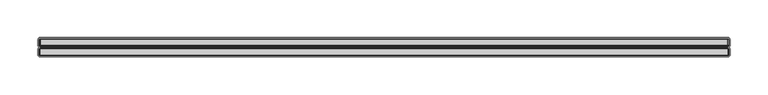
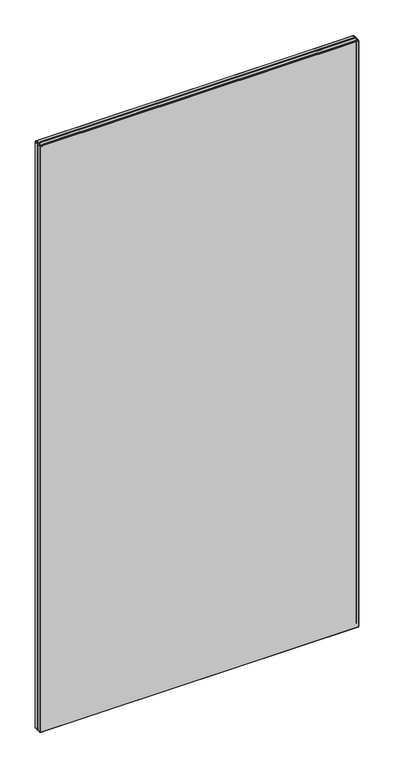
"""IFC4 building model written with IfcOpenShell, lengths in millimetres: furniture geometry."""

from ifc_helpers import new_model, si_unit, origin, place, context, project, spatial, triangles, source, transform, mapped, element, save


def furniture_12a9895f(model_context):
    return source(origin(), model_context, "Body", "Tessellation", [
        triangles([(128.2619247, 4757.3664517, 207.2580069), (128.2619247, 4749.1983456, 207.2580069), (127.2039224, 4749.1983456, 207.964995), (127.2039224, 4757.3664517, 207.964995), (129.5089416, 4758.8143284, 1981.3950462), (128.8799829, 4758.8143284, 1981.2700539), (128.4849489, 4758.3913891, 1982.2240654), (129.5089416, 4758.3913891, 1982.42696), (127.0359821, 4758.3913891, 209.2450041), (126.4979335, 4757.3664517, 209.0219981), (126.2489662, 4757.3664517, 210.269996), (126.8319248, 4758.3913891, 210.269996), (128.4849489, 4758.3913891, 207.7970002), (128.8799829, 4758.8143284, 208.7509935), (129.5089416, 4758.8143284, 208.6260012), (129.5089416, 4758.3913891, 207.5929974), (1036.9899599, 4757.3664517, 1983.0100639), (129.5089416, 4757.3664517, 1983.0100639), (129.5089416, 4749.1983456, 1983.0100639), (1036.9899599, 4749.1983456, 1983.0100639), (1040.2489543, 4749.1983456, 1979.7509605), (1040.2489543, 4749.1983456, 210.269996), (1040.2489543, 4757.3664517, 210.269996), (1040.2489543, 4757.3664517, 1979.7509605), (1038.2369586, 4749.1983456, 1982.7619686), (1038.2369586, 4757.3664517, 1982.7619686), (1038.8829584, 4758.3913891, 1981.6429962), (1038.0139526, 4758.3913891, 1982.2240654), (1039.2949609, 4757.3664517, 1982.0560524), (1036.9899599, 4758.3913891, 1982.42696), (1037.6189549, 4758.8143284, 1981.2700539), (1036.9899599, 4758.8143284, 1981.3950462), (1038.1519529, 4758.8143284, 1980.9129536), (126.4979335, 4757.3664517, 1980.9979774), (126.4979335, 4749.1983456, 1980.9979774), (127.2039224, 4749.1983456, 1982.0560524), (127.2039224, 4757.3664517, 1982.0560524), (126.2489662, 4749.1983456, 1979.7509605), (126.2489662, 4757.3664517, 1979.7509605), (127.0359821, 4758.3913891, 1980.7750259), (126.8319248, 4758.3913891, 1979.7509605), (128.2619247, 4757.3664517, 1982.7619686), (127.6159612, 4758.3913891, 1981.6429962), (1039.4629557, 4758.3913891, 1980.7750259), (1038.5089624, 4758.8143284, 1980.3799919), (129.5089416, 4757.3664517, 207.0100024), (127.6159612, 4758.3913891, 208.3769975), (1040.0009498, 4757.3664517, 1980.9979774), (128.3469486, 4758.8143284, 209.1070038), (1039.6669585, 4758.3913891, 210.269996), (1039.6669585, 4758.3913891, 1979.7509605), (1040.0009498, 4749.1983456, 209.0219981), (1040.0009498, 4757.3664517, 209.0219981), (1039.2949609, 4749.1983456, 1982.0560524), (1040.0009498, 4749.1983456, 1980.9979774), (127.8649286, 4758.8143284, 1979.7509605), (127.8649286, 4758.8143284, 210.269996), (1039.2949609, 4757.3664517, 207.964995), (1039.2949609, 4749.1983456, 207.964995), (129.5089416, 4749.1983456, 207.0100024), (1038.2369586, 4749.1983456, 207.2580069), (1038.2369586, 4757.3664517, 207.2580069), (1036.9899599, 4757.3664517, 207.0100024), (1036.9899599, 4749.1983456, 207.0100024), (1036.9899599, 4758.3913891, 207.5929974), (1038.0139526, 4758.3913891, 207.7970002), (1038.8829584, 4758.3913891, 208.3769975), (1039.4629557, 4758.3913891, 209.2450041), (1038.5089624, 4758.8143284, 209.6400018), (1038.6339547, 4758.8143284, 210.269996), (1038.1519529, 4758.8143284, 209.1070038), (1037.6189549, 4758.8143284, 208.7509935), (1036.9899599, 4758.8143284, 208.6260012), (127.989921, 4758.8143284, 209.6400018), (1038.6339547, 4758.8143284, 1979.7509605), (128.3469486, 4758.8143284, 1980.9129536), (128.2619247, 4749.1983456, 1982.7619686), (127.989921, 4758.8143284, 1980.3799919), (126.2489662, 4749.1983456, 210.269996), (126.4979335, 4749.1983456, 209.0219981), (129.5089416, 4757.3664517, 1982.8680668), (129.5089416, 4748.1734081, 1982.42696), (129.5089416, 4747.7504688, 1981.3950462), (1036.9899599, 4747.7504688, 1981.3950462), (1036.9899599, 4748.1734081, 1982.42696), (128.3339407, 4746.8002361, 1979.6560535), (129.6039213, 4746.8002361, 1980.9260342), (129.1179771, 4746.8002361, 1980.8289471), (128.4309551, 4746.8002361, 1980.1420704), (1037.6189549, 4747.7504688, 1981.2700539), (1038.0139526, 4748.1734081, 1982.2240654), (1036.9899599, 4760.1872097, 1981.3950462), (129.5089416, 4760.1872097, 1981.3950462), (127.8649286, 4760.1872097, 210.269996), (127.989921, 4760.1872097, 209.6400018), (1039.4629557, 4748.1734081, 1980.7750259), (1038.8829584, 4748.1734081, 1981.6429962), (127.989921, 4760.1872097, 1980.3799919), (127.8649286, 4760.1872097, 1979.7509605), (1038.6339547, 4760.1872097, 1979.7509605), (1038.5089624, 4760.1872097, 1980.3799919), (128.8799829, 4760.1872097, 1981.2700539), (128.3469486, 4760.1872097, 1980.9129536), (1037.3809607, 4746.8002361, 1980.8289471), (1036.894962, 4746.8002361, 1980.9260342), (1038.1649608, 4746.8002361, 1979.6560535), (1038.0679646, 4746.8002361, 1980.1420704), (128.4309551, 4746.8002361, 209.8789952), (128.7059383, 4746.8002361, 209.4669927), (129.1179771, 4746.8002361, 209.1909921), (128.3339407, 4746.8002361, 210.3649939), (1038.1649608, 4746.8002361, 210.3649939), (1038.0679646, 4746.8002361, 209.8789952), (1036.894962, 4746.8002361, 209.0949951), (1037.3809607, 4746.8002361, 209.1909921), (129.6039213, 4746.8002361, 209.0949951), (1037.6189549, 4760.1872097, 1981.2700539), (1038.1519529, 4760.1872097, 1980.9129536), (1037.6189549, 4760.1872097, 208.7509935), (1036.9899599, 4760.1872097, 208.6260012), (1037.7929632, 4746.8002361, 209.4669927), (129.5089416, 4760.1872097, 208.6260012), (128.8799829, 4760.1872097, 208.7509935), (128.3469486, 4760.1872097, 209.1070038), (1038.1519529, 4760.1872097, 209.1070038), (128.7059383, 4746.8002361, 1980.5539639), (1038.6339547, 4760.1872097, 210.269996), (1037.7929632, 4746.8002361, 1980.5539639), (1038.5089624, 4760.1872097, 209.6400018), (1039.6669585, 4748.1734081, 1979.7509605), (126.8319248, 4748.1734081, 210.269996), (127.8649286, 4747.7504688, 210.269996), (127.8649286, 4747.7504688, 1979.7509605), (126.8319248, 4748.1734081, 1979.7509605), (1039.4629557, 4748.1734081, 209.2450041), (1038.5089624, 4747.7504688, 209.6400018), (1038.1519529, 4747.7504688, 209.1070038), (1038.8829584, 4748.1734081, 208.3769975), (128.4849489, 4748.1734081, 207.7970002), (127.6159612, 4748.1734081, 208.3769975), (129.5089416, 4748.1734081, 207.5929974), (128.8799829, 4747.7504688, 208.7509935), (128.3469486, 4747.7504688, 209.1070038), (127.989921, 4747.7504688, 209.6400018), (127.0359821, 4748.1734081, 209.2450041), (1039.6669585, 4748.1734081, 210.269996), (1036.9899599, 4748.1734081, 207.5929974), (1038.0139526, 4748.1734081, 207.7970002), (1038.6339547, 4747.7504688, 210.269996), (1037.6189549, 4747.7504688, 208.7509935), (129.5089416, 4747.7504688, 208.6260012), (127.989921, 4747.7504688, 1980.3799919), (128.3469486, 4747.7504688, 1980.9129536), (127.6159612, 4748.1734081, 1981.6429962), (127.0359821, 4748.1734081, 1980.7750259), (128.8799829, 4747.7504688, 1981.2700539), (1038.1519529, 4747.7504688, 1980.9129536), (1038.5089624, 4747.7504688, 1980.3799919), (1036.9899599, 4747.7504688, 208.6260012), (1038.6339547, 4747.7504688, 1979.7509605), (128.4849489, 4748.1734081, 1982.2240654), (129.5089416, 4760.609277, 1982.42696), (129.5089416, 4761.6342144, 1983.0100639), (128.2619247, 4761.6342144, 1982.7619686), (128.4849489, 4760.609277, 1982.2240654), (1039.2949609, 4769.8031925, 207.964995), (1040.0009498, 4769.8031925, 209.0219981), (1040.0009498, 4761.6342144, 209.0219981), (1039.2949609, 4761.6342144, 207.964995), (1038.0139526, 4760.609277, 207.7970002), (1038.2369586, 4761.6342144, 207.2580069), (1038.8829584, 4760.609277, 208.3769975), (1040.0009498, 4761.6342144, 1980.9979774), (1040.0009498, 4769.8031925, 1980.9979774), (1039.2949609, 4769.8031925, 1982.0560524), (1039.2949609, 4761.6342144, 1982.0560524), (1039.4629557, 4760.609277, 209.2450041), (1039.6669585, 4760.609277, 210.269996), (129.5089416, 4761.6342144, 207.0100024), (128.2619247, 4761.6342144, 207.2580069), (128.2619247, 4769.8031925, 207.2580069), (129.5089416, 4769.8031925, 207.0100024), (1036.9899599, 4769.8031925, 207.0100024), (1038.2369586, 4769.8031925, 207.2580069), (1036.9899599, 4761.6342144, 207.0100024), (1039.4629557, 4760.609277, 1980.7750259), (1038.8829584, 4760.609277, 1981.6429962), (1040.2489543, 4761.6342144, 1979.7509605), (1039.6669585, 4760.609277, 1979.7509605), (127.2039224, 4761.6342144, 1982.0560524), (128.2619247, 4769.8031925, 1982.7619686), (127.2039224, 4769.8031925, 1982.0560524), (127.6159612, 4760.609277, 208.3769975), (127.0359821, 4760.609277, 209.2450041), (126.4979335, 4761.6342144, 209.0219981), (127.2039224, 4761.6342144, 207.964995), (129.5089416, 4760.609277, 207.5929974), (128.4849489, 4760.609277, 207.7970002), (1040.2489543, 4761.6342144, 210.269996), (1040.2489543, 4769.8031925, 210.269996), (1040.2489543, 4769.8031925, 1979.7509605), (127.2039224, 4769.8031925, 207.964995), (129.5089416, 4769.8031925, 1983.0100639), (1038.0139526, 4760.609277, 1982.2240654), (1038.2369586, 4761.6342144, 1982.7619686), (1036.9899599, 4761.6342144, 1983.0100639), (1036.9899599, 4760.609277, 1982.42696), (127.6159612, 4760.609277, 1981.6429962), (126.4979335, 4761.6342144, 1980.9979774), (127.0359821, 4760.609277, 1980.7750259), (126.8319248, 4760.609277, 210.269996), (1036.9899599, 4760.609277, 207.5929974), (1038.2369586, 4769.8031925, 1982.7619686), (1036.9899599, 4769.8031925, 1983.0100639), (126.2489662, 4761.6342144, 1979.7509605), (126.4979335, 4769.8031925, 1980.9979774), (126.2489662, 4769.8031925, 1979.7509605), (126.2489662, 4761.6342144, 210.269996), (126.8319248, 4760.609277, 1979.7509605), (129.5089416, 4761.6342144, 1982.8680668), (126.2489662, 4769.8031925, 210.269996), (126.4979335, 4769.8031925, 209.0219981), (127.0359821, 4770.8284207, 1980.7750259), (127.6159612, 4770.8284207, 1981.6429962), (129.5089416, 4771.2501972, 1981.3950462), (128.8799829, 4771.2501972, 1981.2700539), (128.4849489, 4770.8284207, 1982.2240654), (129.5089416, 4770.8284207, 1982.42696), (128.3469486, 4771.2501972, 1980.9129536), (127.989921, 4771.2501972, 1980.3799919), (127.8649286, 4771.2501972, 1979.7509605), (126.8319248, 4770.8284207, 1979.7509605), (127.8649286, 4771.2501972, 210.269996), (126.8319248, 4770.8284207, 210.269996), (128.4849489, 4770.8284207, 207.7970002), (127.6159612, 4770.8284207, 208.3769975), (128.4309551, 4772.2004299, 209.8789952), (129.1179771, 4772.2004299, 209.1909921), (128.7059383, 4772.2004299, 209.4669927), (128.3339407, 4772.2004299, 1979.6560535), (129.6039213, 4772.2004299, 1980.9260342), (1036.894962, 4772.2004299, 1980.9260342), (1038.1649608, 4772.2004299, 1979.6560535), (1038.8829584, 4770.8284207, 1981.6429962), (1038.1519529, 4771.2501972, 1980.9129536), (1037.6189549, 4771.2501972, 1981.2700539), (1038.0139526, 4770.8284207, 1982.2240654), (127.0359821, 4770.8284207, 209.2450041), (128.4309551, 4772.2004299, 1980.1420704), (129.1179771, 4772.2004299, 1980.8289471), (1037.3809607, 4772.2004299, 209.1909921), (1038.0679646, 4772.2004299, 209.8789952), (1037.7929632, 4772.2004299, 209.4669927), (1036.9899599, 4770.8284207, 1982.42696), (1039.4629557, 4770.8284207, 1980.7750259), (1038.5089624, 4771.2501972, 1980.3799919), (1038.1649608, 4772.2004299, 210.3649939), (128.3339407, 4772.2004299, 210.3649939), (129.5089416, 4770.8284207, 207.5929974), (127.989921, 4771.2501972, 209.6400018), (1037.3809607, 4772.2004299, 1980.8289471), (1037.7929632, 4772.2004299, 1980.5539639), (1038.0679646, 4772.2004299, 1980.1420704), (1039.6669585, 4770.8284207, 1979.7509605), (128.3469486, 4771.2501972, 209.1070038), (128.7059383, 4772.2004299, 1980.5539639), (128.8799829, 4771.2501972, 208.7509935), (129.5089416, 4771.2501972, 208.6260012), (1038.6339547, 4771.2501972, 1979.7509605), (129.6039213, 4772.2004299, 209.0949951), (1036.9899599, 4771.2501972, 1981.3950462), (1036.894962, 4772.2004299, 209.0949951), (1039.6669585, 4770.8284207, 210.269996), (1038.6339547, 4771.2501972, 210.269996), (1036.9899599, 4771.2501972, 208.6260012), (1036.9899599, 4770.8284207, 207.5929974), (1038.1519529, 4771.2501972, 209.1070038), (1037.6189549, 4771.2501972, 208.7509935), (1038.5089624, 4771.2501972, 209.6400018), (1038.8829584, 4770.8284207, 208.3769975), (1038.0139526, 4770.8284207, 207.7970002), (1039.4629557, 4770.8284207, 209.2450041)], [[1, 2, 3], [1, 3, 4], [5, 6, 7], [5, 7, 8], [9, 10, 11], [9, 11, 12], [13, 14, 15], [13, 15, 16], [17, 18, 19], [17, 19, 20], [21, 22, 23], [21, 23, 24], [17, 20, 25], [17, 25, 26], [27, 28, 26], [27, 26, 29], [30, 17, 26], [30, 26, 28], [30, 28, 31], [30, 31, 32], [27, 33, 31], [27, 31, 28], [34, 35, 36], [34, 36, 37], [38, 35, 34], [38, 34, 39], [39, 34, 40], [39, 40, 41], [37, 42, 7], [37, 7, 43], [27, 44, 45], [27, 45, 33], [40, 34, 37], [40, 37, 43], [7, 42, 18], [7, 18, 8], [46, 1, 13], [46, 13, 16], [4, 10, 9], [4, 9, 47], [27, 29, 48], [27, 48, 44], [49, 14, 13], [49, 13, 47], [24, 23, 50], [24, 50, 51], [23, 22, 52], [23, 52, 53], [13, 1, 4], [13, 4, 47], [29, 54, 55], [29, 55, 48], [41, 56, 57], [41, 57, 12], [58, 53, 52], [58, 52, 59], [60, 2, 1], [60, 1, 46], [58, 59, 61], [58, 61, 62], [63, 62, 61], [63, 61, 64], [65, 66, 62], [65, 62, 63], [67, 58, 62], [67, 62, 66], [67, 68, 53], [67, 53, 58], [50, 23, 53], [50, 53, 68], [50, 68, 69], [50, 69, 70], [67, 71, 69], [67, 69, 68], [67, 66, 72], [67, 72, 71], [65, 73, 72], [65, 72, 66], [64, 60, 46], [64, 46, 63], [9, 74, 49], [9, 49, 47], [50, 70, 75], [50, 75, 51], [7, 6, 76], [7, 76, 43], [57, 74, 9], [57, 9, 12], [29, 26, 25], [29, 25, 54], [36, 77, 42], [36, 42, 37], [24, 48, 55], [24, 55, 21], [51, 75, 45], [51, 45, 44], [76, 78, 40], [76, 40, 43], [30, 32, 5], [30, 5, 8], [40, 78, 56], [40, 56, 41], [39, 11, 79], [39, 79, 38], [41, 12, 11], [41, 11, 39], [3, 80, 10], [3, 10, 4], [10, 80, 79], [10, 79, 11], [42, 77, 19], [42, 19, 18], [51, 44, 48], [51, 48, 24], [30, 8, 81], [30, 81, 17], [82, 83, 84], [82, 84, 85], [58, 62, 66], [58, 66, 67], [16, 13, 14], [16, 14, 15], [47, 49, 14], [47, 14, 13], [86, 87, 88], [86, 88, 89], [84, 90, 91], [84, 91, 85], [92, 93, 5], [92, 5, 32], [94, 95, 74], [94, 74, 57], [96, 55, 54], [96, 54, 97], [98, 99, 56], [98, 56, 78], [100, 101, 45], [100, 45, 75], [47, 9, 74], [47, 74, 49], [68, 69, 70], [68, 70, 50], [16, 15, 73], [16, 73, 65], [4, 3, 80], [4, 80, 10], [102, 103, 76], [102, 76, 6], [16, 46, 1], [16, 1, 13], [106, 104, 105], [104, 106, 107], [108, 109, 110], [106, 105, 87], [106, 87, 86], [73, 72, 66], [73, 66, 65], [46, 60, 2], [46, 2, 1], [47, 4, 10], [47, 10, 9], [106, 86, 111], [106, 111, 112], [114, 113, 112], [113, 114, 115], [111, 116, 114], [111, 114, 112], [68, 53, 58], [68, 58, 67], [102, 6, 5], [102, 5, 93], [92, 32, 31], [92, 31, 117], [118, 33, 45], [118, 45, 101], [119, 72, 73], [119, 73, 120], [115, 121, 113], [122, 15, 14], [122, 14, 123], [71, 69, 68], [71, 68, 67], [124, 123, 14], [124, 14, 49], [119, 125, 71], [119, 71, 72], [53, 52, 59], [53, 59, 58], [66, 72, 71], [66, 71, 67], [124, 49, 74], [124, 74, 95], [94, 57, 56], [94, 56, 99], [91, 25, 20], [91, 20, 85], [20, 19, 82], [20, 82, 85], [22, 52, 53], [22, 53, 23], [118, 117, 31], [118, 31, 33], [108, 110, 116], [111, 108, 116], [89, 88, 126], [23, 53, 68], [23, 68, 50], [59, 61, 62], [59, 62, 58], [62, 61, 64], [62, 64, 63], [63, 46, 16], [63, 16, 65], [11, 10, 80], [11, 80, 79], [98, 78, 76], [98, 76, 103], [100, 75, 70], [100, 70, 127], [104, 107, 128], [47, 13, 1], [47, 1, 4], [129, 127, 70], [129, 70, 69], [12, 57, 74], [12, 74, 9], [4, 1, 2], [4, 2, 3], [129, 69, 71], [129, 71, 125], [122, 120, 73], [122, 73, 15], [21, 55, 96], [21, 96, 130], [54, 25, 91], [54, 91, 97], [12, 9, 10], [12, 10, 11], [66, 62, 63], [66, 63, 65], [131, 132, 133], [131, 133, 134], [135, 136, 137], [135, 137, 138], [3, 2, 139], [3, 139, 140], [139, 2, 60], [139, 60, 141], [139, 142, 143], [139, 143, 140], [143, 144, 145], [143, 145, 140], [140, 3, 2], [140, 2, 139], [140, 145, 80], [140, 80, 3], [146, 135, 52], [146, 52, 22], [147, 64, 61], [147, 61, 148], [149, 136, 135], [149, 135, 146], [140, 143, 144], [140, 144, 145], [138, 137, 150], [138, 150, 148], [151, 142, 139], [151, 139, 141], [145, 144, 132], [145, 132, 131], [152, 89, 126], [152, 126, 153], [131, 79, 80], [131, 80, 145], [141, 151, 142], [141, 142, 139], [138, 59, 52], [138, 52, 135], [59, 52, 135], [59, 135, 138], [152, 133, 86], [152, 86, 89], [137, 150, 148], [137, 148, 138], [154, 155, 152], [154, 152, 153], [156, 153, 126], [156, 126, 88], [91, 90, 157], [91, 157, 97], [156, 88, 87], [156, 87, 83], [64, 61, 148], [64, 148, 147], [38, 79, 131], [38, 131, 134], [135, 52, 22], [135, 22, 146], [138, 148, 61], [138, 61, 59], [84, 83, 87], [84, 87, 105], [84, 105, 104], [84, 104, 90], [157, 90, 104], [157, 104, 128], [157, 128, 107], [157, 107, 158], [147, 159, 151], [147, 151, 141], [130, 160, 149], [130, 149, 146], [160, 158, 107], [160, 107, 106], [132, 111, 86], [132, 86, 133], [111, 132, 144], [111, 144, 108], [109, 108, 144], [109, 144, 143], [109, 143, 142], [109, 142, 110], [116, 110, 142], [116, 142, 151], [159, 114, 116], [159, 116, 151], [140, 139, 142], [140, 142, 143], [130, 146, 22], [130, 22, 21], [148, 61, 59], [148, 59, 138], [134, 155, 35], [134, 35, 38], [154, 153, 156], [154, 156, 161], [154, 36, 35], [154, 35, 155], [154, 161, 77], [154, 77, 36], [82, 19, 77], [82, 77, 161], [131, 145, 144], [131, 144, 132], [96, 158, 160], [96, 160, 130], [148, 150, 159], [148, 159, 147], [157, 158, 96], [157, 96, 97], [141, 139, 2], [141, 2, 60], [82, 161, 156], [82, 156, 83], [147, 141, 60], [147, 60, 64], [147, 148, 150], [147, 150, 159], [138, 135, 136], [138, 136, 137], [134, 133, 152], [134, 152, 155], [146, 149, 136], [146, 136, 135], [79, 80, 145], [79, 145, 131], [145, 80, 3], [145, 3, 140], [162, 163, 164], [162, 164, 165], [166, 167, 168], [166, 168, 169], [170, 171, 169], [170, 169, 172], [173, 174, 175], [173, 175, 176], [127, 129, 177], [127, 177, 178], [177, 129, 125], [177, 125, 172], [179, 180, 181], [179, 181, 182], [183, 184, 171], [183, 171, 185], [112, 113, 136], [112, 136, 149], [186, 173, 176], [186, 176, 187], [188, 173, 186], [188, 186, 189], [190, 164, 191], [190, 191, 192], [193, 194, 195], [193, 195, 196], [197, 122, 123], [197, 123, 198], [114, 159, 150], [114, 150, 115], [118, 101, 186], [118, 186, 187], [188, 199, 200], [188, 200, 201], [171, 184, 166], [171, 166, 169], [177, 168, 199], [177, 199, 178], [125, 119, 170], [125, 170, 172], [185, 179, 182], [185, 182, 183], [168, 167, 200], [168, 200, 199], [196, 202, 181], [196, 181, 180], [121, 137, 136], [121, 136, 113], [163, 203, 191], [163, 191, 164], [169, 168, 177], [169, 177, 172], [193, 198, 123], [193, 123, 124], [204, 205, 206], [204, 206, 207], [208, 190, 209], [208, 209, 210], [211, 194, 95], [211, 95, 94], [185, 171, 170], [185, 170, 212], [170, 119, 120], [170, 120, 212], [185, 183, 184], [185, 184, 171], [205, 213, 214], [205, 214, 206], [215, 209, 216], [215, 216, 217], [215, 218, 211], [215, 211, 219], [197, 198, 180], [197, 180, 179], [193, 124, 95], [193, 95, 194], [206, 220, 162], [206, 162, 207], [219, 99, 98], [219, 98, 210], [189, 100, 127], [189, 127, 178], [201, 174, 173], [201, 173, 188], [162, 165, 102], [162, 102, 93], [160, 106, 112], [160, 112, 149], [204, 117, 118], [204, 118, 187], [121, 115, 150], [121, 150, 137], [92, 117, 204], [92, 204, 207], [186, 101, 100], [186, 100, 189], [208, 103, 102], [208, 102, 165], [176, 205, 204], [176, 204, 187], [214, 203, 163], [214, 163, 206], [190, 192, 216], [190, 216, 209], [208, 165, 164], [208, 164, 190], [208, 210, 98], [208, 98, 103], [217, 221, 218], [217, 218, 215], [211, 94, 99], [211, 99, 219], [218, 221, 222], [218, 222, 195], [196, 195, 222], [196, 222, 202], [193, 196, 180], [193, 180, 198], [211, 218, 195], [211, 195, 194], [175, 213, 205], [175, 205, 176], [219, 210, 209], [219, 209, 215], [162, 93, 92], [162, 92, 207], [189, 178, 199], [189, 199, 188], [223, 216, 192], [223, 192, 224], [225, 226, 227], [225, 227, 228], [229, 230, 223], [229, 223, 224], [202, 181, 180], [202, 180, 196], [212, 185, 171], [212, 171, 170], [218, 195, 194], [218, 194, 211], [223, 230, 231], [223, 231, 232], [172, 170, 171], [172, 171, 169], [195, 222, 202], [195, 202, 196], [232, 231, 233], [232, 233, 234], [235, 181, 202], [235, 202, 236], [237, 238, 239], [240, 241, 242], [240, 242, 243], [244, 245, 246], [244, 246, 247], [202, 222, 248], [202, 248, 236], [180, 181, 182], [180, 182, 179], [249, 250, 241], [240, 249, 241], [251, 252, 253], [244, 247, 213], [244, 213, 175], [254, 214, 213], [254, 213, 247], [244, 255, 256], [244, 256, 245], [257, 258, 240], [257, 240, 243], [254, 228, 203], [254, 203, 214], [192, 191, 227], [192, 227, 224], [244, 175, 174], [244, 174, 255], [232, 234, 221], [232, 221, 217], [248, 222, 221], [248, 221, 234], [182, 181, 235], [182, 235, 259], [233, 260, 248], [233, 248, 234], [178, 127, 129], [178, 129, 177], [261, 262, 263], [264, 255, 174], [264, 174, 201], [248, 260, 265], [248, 265, 236], [249, 266, 250], [265, 267, 235], [265, 235, 236], [235, 267, 268], [235, 268, 259], [212, 170, 119], [212, 119, 120], [172, 169, 168], [172, 168, 177], [221, 222, 195], [221, 195, 218], [198, 180, 179], [198, 179, 197], [124, 95, 194], [124, 194, 193], [264, 269, 256], [264, 256, 255], [172, 125, 119], [172, 119, 170], [122, 123, 198], [122, 198, 197], [194, 95, 94], [194, 94, 211], [227, 191, 203], [227, 203, 228], [227, 226, 229], [227, 229, 224], [212, 120, 122], [212, 122, 197], [212, 197, 179], [212, 179, 185], [169, 171, 184], [169, 184, 166], [194, 195, 196], [194, 196, 193], [169, 166, 167], [169, 167, 168], [196, 180, 198], [196, 198, 193], [258, 270, 238], [258, 238, 237], [254, 247, 246], [254, 246, 271], [217, 216, 223], [217, 223, 232], [172, 177, 129], [172, 129, 125], [198, 123, 124], [198, 124, 193], [178, 177, 168], [178, 168, 199], [242, 263, 243], [263, 242, 261], [257, 251, 272], [251, 257, 252], [199, 168, 167], [199, 167, 200], [257, 272, 270], [257, 270, 258], [254, 271, 225], [254, 225, 228], [237, 260, 233], [237, 233, 258], [273, 274, 269], [273, 269, 264], [259, 268, 275], [259, 275, 276], [236, 265, 267], [236, 267, 235], [268, 267, 238], [268, 238, 270], [277, 278, 251], [277, 251, 253], [252, 279, 277], [252, 277, 253], [280, 166, 184], [280, 184, 281], [277, 279, 282], [277, 282, 280], [259, 235, 267], [259, 267, 268], [280, 277, 279], [280, 279, 282], [249, 240, 231], [249, 231, 230], [231, 240, 258], [231, 258, 233], [274, 279, 252], [274, 252, 257], [280, 281, 278], [280, 278, 277], [282, 279, 274], [282, 274, 273], [200, 167, 282], [200, 282, 273], [276, 275, 278], [276, 278, 281], [236, 248, 260], [236, 260, 265], [273, 282, 279], [273, 279, 274], [225, 241, 250], [225, 250, 226], [242, 241, 225], [271, 242, 225], [234, 233, 260], [234, 260, 248], [273, 200, 167], [273, 167, 282], [282, 167, 166], [282, 166, 280], [229, 266, 249], [229, 249, 230], [250, 266, 229], [250, 229, 226], [243, 263, 256], [243, 256, 269], [268, 270, 272], [268, 272, 275], [274, 257, 243], [274, 243, 269], [234, 248, 222], [234, 222, 221], [166, 184, 281], [166, 281, 280], [183, 182, 259], [183, 259, 276], [276, 281, 184], [276, 184, 183], [251, 278, 275], [251, 275, 272], [265, 260, 237], [265, 237, 239], [259, 182, 181], [259, 181, 235], [281, 278, 277], [281, 277, 280], [256, 263, 262], [256, 262, 245], [236, 202, 222], [236, 222, 248], [262, 261, 246], [262, 246, 245], [281, 184, 183], [281, 183, 276], [238, 267, 265], [238, 265, 239], [236, 235, 181], [236, 181, 202], [201, 200, 273], [201, 273, 264], [246, 261, 242], [246, 242, 271], [280, 282, 167], [280, 167, 166], [275, 278, 281], [275, 281, 276]], closed=False),
    ])


if __name__ == "__main__":
    model = new_model("IFC4")
    model_context = context("Model", 3, world=origin())
    ifc_project = project(units=[si_unit("LENGTHUNIT", "METRE", prefix="MILLI")], contexts=[model_context])
    site = spatial("IfcSite", under=ifc_project)
    building = spatial("IfcBuilding", under=site)
    placement = place(None, origin())
    furniture_shape = furniture_12a9895f(model_context)
    element("IfcFurniture", 1, at=placement, inside=building, context=model_context, shape_type="MappedRepresentation", body=[
        mapped(furniture_shape, transform((0.0, 0.0, 0.0), x_axis=(1.0, 0.0, 0.0), y_axis=(0.0, 1.0, 0.0), z_axis=(0.0, 0.0, 1.0))),
    ])
    save(model, "model.ifc")
